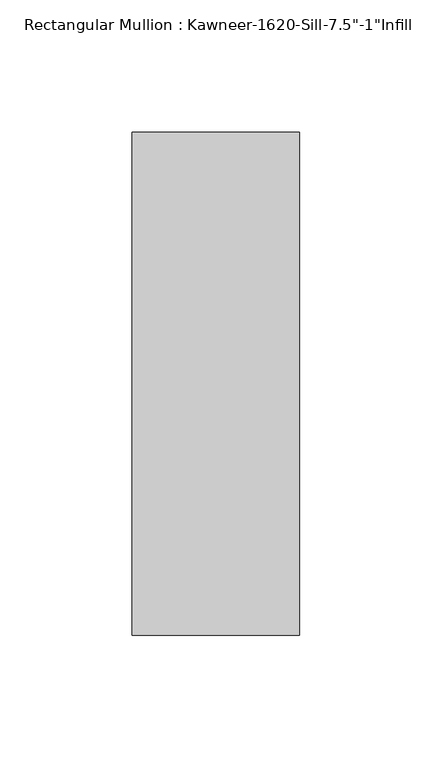
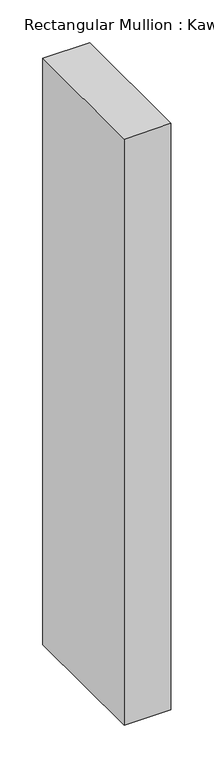
"""IFC4 building model written with IfcOpenShell, lengths in millimetres: member geometry."""

from ifc_helpers import new_model, si_unit, frame, origin, place, context, project, spatial, polyline, outline, extrude, source, transform, mapped, element, save


def member_f6662871(model_context):
    return source(origin(), model_context, "Body", "SweptSolid", [
        extrude(outline(polyline([(-63.5, 38.1), (0.0, 38.1), (0.0, -152.4), (-63.5, -152.4), (-63.5, 38.1)])), frame((0.0, 0.0, -838.2), z_axis=(0.0, 0.0, 1.0), x_axis=(1.0, 0.0, 0.0)), (0.0, 0.0, 1.0), 838.2),
    ])


if __name__ == "__main__":
    model = new_model("IFC4")
    model_context = context("Model", 3, world=origin())
    ifc_project = project(units=[si_unit("LENGTHUNIT", "METRE", prefix="MILLI")], contexts=[model_context])
    site = spatial("IfcSite", under=ifc_project)
    building = spatial("IfcBuilding", under=site)
    placement = place(None, origin())
    member_shape = member_f6662871(model_context)
    element("IfcMember", 1, ObjectType="Rectangular Mullion : Kawneer-1620-Sill-7.5\"-1\"Infill", at=placement, inside=building, context=model_context, shape_type="MappedRepresentation", body=[
        mapped(member_shape, transform((0.0, 0.0, 0.0), x_axis=(1.0, 0.0, 0.0), y_axis=(0.0, 1.0, 0.0), z_axis=(0.0, 0.0, 1.0))),
    ])
    save(model, "model.ifc")
